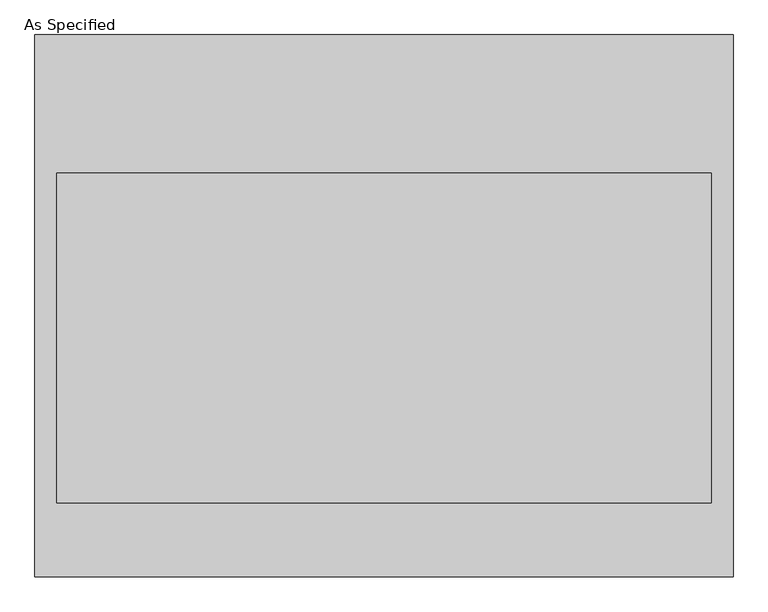
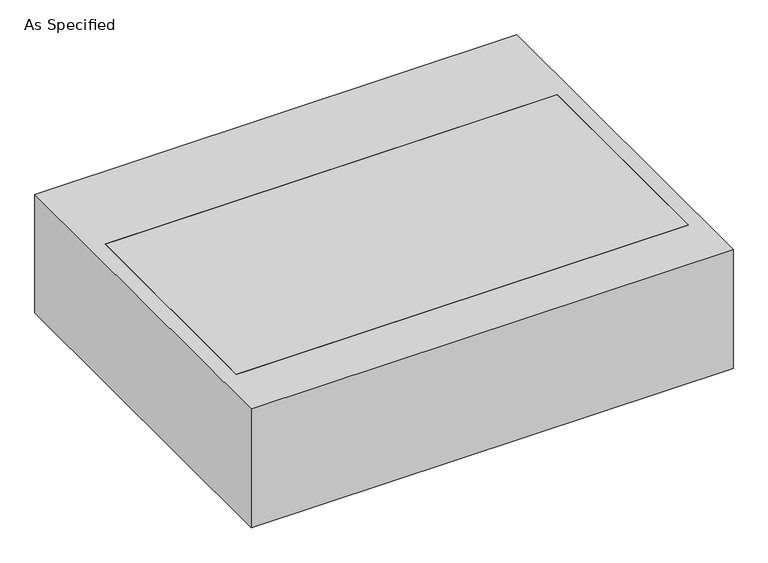
"""IFC4 building model written with IfcOpenShell, lengths in millimetres: proxy geometry, As Specified."""

from ifc_helpers import new_model, si_unit, frame, origin, place, context, project, spatial, polyline, outline, extrude, faceted_brep, source, transform, mapped, element, save


def as_specified_b9fbdd0e(model_context):
    return source(origin(), model_context, "Body", "SolidModel", [
        faceted_brep([(-968.375, 752.475, -25.4), (-968.375, 752.475, -530.225), (-968.375, -752.475, -530.225), (-968.375, -752.475, -25.4), (-908.05, 368.3, -25.4), (-908.05, -546.1, -25.4), (-908.05, -546.1, -373.0625), (-908.05, 368.3, -373.0625), (968.375, 752.475, -25.4), (968.375, -752.475, -25.4), (908.05, 368.3, -25.4), (908.05, -546.1, -25.4), (968.375, -752.475, -530.225), (968.375, 752.475, -530.225), (908.05, 368.3, -373.0625), (908.05, -546.1, -373.0625)], [[[0, 1, 2, 3]], [[4, 5, 6, 7]], [[8, 0, 3, 9], [5, 4, 10, 11]], [[8, 9, 12, 13]], [[12, 9, 3, 2]], [[13, 12, 2, 1]], [[8, 13, 1, 0]], [[4, 7, 14, 10]], [[7, 6, 15, 14]], [[6, 5, 11, 15]], [[11, 10, 14, 15]]]),
        extrude(outline(polyline([(908.05, 368.3), (908.05, -546.1), (-908.05, -546.1), (-908.05, 368.3), (908.05, 368.3)])), frame((0.0, 0.0, -373.0625), z_axis=(0.0, 0.0, 1.0), x_axis=(1.0, 0.0, 0.0)), (0.0, 0.0, 1.0), 347.6625),
    ])


if __name__ == "__main__":
    model = new_model("IFC4")
    model_context = context("Model", 3, world=origin())
    ifc_project = project(units=[si_unit("LENGTHUNIT", "METRE", prefix="MILLI")], contexts=[model_context])
    site = spatial("IfcSite", under=ifc_project)
    building = spatial("IfcBuilding", under=site)
    placement = place(None, origin())
    as_specified_shape = as_specified_b9fbdd0e(model_context)
    element("IfcBuildingElementProxy", 1, Name="As Specified", ObjectType="As Specified", at=placement, inside=building, context=model_context, shape_type="MappedRepresentation", body=[
        mapped(as_specified_shape, transform((0.0, 0.0, 0.0), x_axis=(1.0, 0.0, 0.0), y_axis=(0.0, 1.0, 0.0), z_axis=(0.0, 0.0, 1.0))),
    ])
    save(model, "model.ifc")
